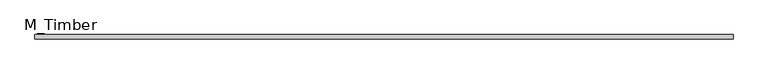
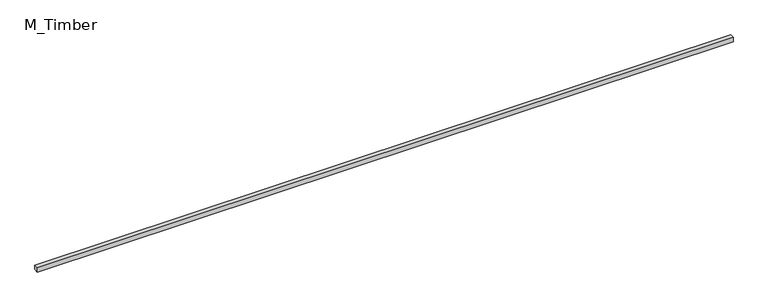
"""IFC4 building model written with IfcOpenShell, lengths in millimetres: beam geometry, M_Timber."""

import ifcopenshell
import ifcopenshell.guid

model = None  # the IFC model being written
_history = None  # IfcOwnerHistory: only IFC2X3 demands one
_inside = {}  # id of a spatial element -> (the spatial element, [elements in it])
_under = {}  # id of a project, library or spatial element -> (it, [spatial elements below it])
_declared = {}  # id of a project -> (the project, [libraries it declares])
_typed = {}  # id of a type object -> (the type object, [elements of that type])
_made_of = {}  # id of a material, layer set ... -> (it, [elements and type objects made of it])


def new_model(schema):
    """Start an empty IFC model of exactly this schema.

    Asked for "IFC4X3", IfcOpenShell would pick the latest addendum, in which some entities
    have other attributes; the version numbers below select the first issue.
    IFC2X3 requires an IfcOwnerHistory on every rooted entity: one is made here for all.
    """
    global model, _history
    if schema == "IFC4X3":
        model = ifcopenshell.file(schema_version=(4, 3, 0, 0))
    else:
        model = ifcopenshell.file(schema=schema)
    _inside.clear()
    _under.clear()
    _declared.clear()
    _typed.clear()
    _made_of.clear()
    _history = None
    if model.schema == "IFC2X3":
        org = make("IfcOrganization", Name="unknown")
        user = make(
            "IfcPersonAndOrganization",
            ThePerson=make("IfcPerson", FamilyName="unknown"),
            TheOrganization=org,
        )
        app = make(
            "IfcApplication",
            ApplicationDeveloper=org,
            Version="unknown",
            ApplicationFullName="unknown",
            ApplicationIdentifier="unknown",
        )
        _history = make(
            "IfcOwnerHistory",
            OwningUser=user,
            OwningApplication=app,
            ChangeAction="ADDED",
            CreationDate=0,
        )
    return model


def make(cls, **values):
    """One entity of the class cls with the attributes given. An attribute that is None is left unset."""
    return model.create_entity(
        cls, **{name: value for name, value in values.items() if value is not None}
    )


def rooted(cls, **values):
    """An entity with a GlobalId (a new one), such as an element, a storey or a relation."""
    return make(cls, GlobalId=ifcopenshell.guid.new(), OwnerHistory=_history, **values)


def si_unit(unit_type, name, prefix=None):
    """IfcSIUnit, for example si_unit("LENGTHUNIT", "METRE", prefix="MILLI")."""
    return make("IfcSIUnit", UnitType=unit_type, Prefix=prefix, Name=name)


def assignment(units):
    """IfcUnitAssignment: the units of a project."""
    return None if units is None else make("IfcUnitAssignment", Units=units)


def point(xyz):
    """IfcCartesianPoint."""
    return None if xyz is None else make("IfcCartesianPoint", Coordinates=xyz)


def direction(xyz):
    """IfcDirection."""
    return None if xyz is None else make("IfcDirection", DirectionRatios=xyz)


def frame(location, z_axis=None, x_axis=None):
    """IfcAxis2Placement3D, a coordinate frame: its origin and axes. An axis left out is left unset."""
    return make(
        "IfcAxis2Placement3D",
        Location=point(location),
        Axis=direction(z_axis),
        RefDirection=direction(x_axis),
    )


def origin():
    """The frame at (0, 0, 0) with its axes left unset."""
    return frame((0.0, 0.0, 0.0))


def place(relative_to, where):
    """IfcLocalPlacement: puts the frame where relative to a parent placement (None: the world)."""
    return make(
        "IfcLocalPlacement", PlacementRelTo=relative_to, RelativePlacement=where
    )


def context(
    kind, dimensions, precision=None, world=None, true_north=None, identifier=None
):
    """IfcGeometricRepresentationContext, for example the 3D "Model" context."""
    return make(
        "IfcGeometricRepresentationContext",
        ContextIdentifier=identifier,
        ContextType=kind,
        CoordinateSpaceDimension=dimensions,
        Precision=precision,
        WorldCoordinateSystem=world,
        TrueNorth=true_north,
    )


def project(units=None, contexts=None):
    """IfcProject with its units and contexts."""
    return rooted(
        "IfcProject",
        Name="project",
        RepresentationContexts=contexts,
        UnitsInContext=assignment(units),
    )


def spatial(cls, under=None, at=None, **own):
    """A site, building, storey or space (cls), placed at a placement, below another one or the project."""
    s = rooted(cls, ObjectPlacement=at, **own)
    if under is not None:
        _under.setdefault(under.id(), (under, []))[1].append(s)
    return s


def polyline(points):
    """IfcPolyline through the points."""
    return make("IfcPolyline", Points=[point(p) for p in points])


def outline(outer, holes=None, kind="AREA"):
    """IfcArbitraryClosedProfileDef: a profile drawn as a closed curve; with holes, ...WithVoids."""
    if holes is None:
        return make("IfcArbitraryClosedProfileDef", ProfileType=kind, OuterCurve=outer)
    return make(
        "IfcArbitraryProfileDefWithVoids",
        ProfileType=kind,
        OuterCurve=outer,
        InnerCurves=holes,
    )


def extrude(swept, where, along, depth):
    """IfcExtrudedAreaSolid: the profile swept, set in the frame where, extruded along a direction by depth."""
    return make(
        "IfcExtrudedAreaSolid",
        SweptArea=swept,
        Position=where,
        ExtrudedDirection=direction(along),
        Depth=depth,
    )


def shape(context_of_items, identifier, shape_type, items):
    """IfcShapeRepresentation: the items that make up one representation, for example the "Body"."""
    return make(
        "IfcShapeRepresentation",
        ContextOfItems=context_of_items,
        RepresentationIdentifier=identifier,
        RepresentationType=shape_type,
        Items=items,
    )


def source(mapping_origin, context_of_items, identifier, shape_type, items):
    """IfcRepresentationMap: a shape defined once, which mapped items show again and again."""
    return make(
        "IfcRepresentationMap",
        MappingOrigin=mapping_origin,
        MappedRepresentation=shape(context_of_items, identifier, shape_type, items),
    )


def transform(
    local_origin,
    x_axis=None,
    y_axis=None,
    z_axis=None,
    scale=None,
    scale2=None,
    scale3=None,
    uniform=True,
):
    """IfcCartesianTransformationOperator3D, or its non-uniform kind. x_axis, y_axis, z_axis: its Axis1, 2, 3."""
    if uniform:
        return make(
            "IfcCartesianTransformationOperator3D",
            Axis1=direction(x_axis),
            Axis2=direction(y_axis),
            LocalOrigin=point(local_origin),
            Scale=scale,
            Axis3=direction(z_axis),
        )
    return make(
        "IfcCartesianTransformationOperator3DnonUniform",
        Axis1=direction(x_axis),
        Axis2=direction(y_axis),
        LocalOrigin=point(local_origin),
        Scale=scale,
        Axis3=direction(z_axis),
        Scale2=scale2,
        Scale3=scale3,
    )


def mapped(mapping_source, mapping_target):
    """IfcMappedItem: shows the shape of a source again, moved by a transform."""
    return make(
        "IfcMappedItem", MappingSource=mapping_source, MappingTarget=mapping_target
    )


def made_of(thing, what):
    """Note that an element or type object is made of a material, layer set ...; save() writes the relation."""
    if what is not None:
        _made_of.setdefault(what.id(), (what, []))[1].append(thing)
    return thing


def element(
    cls,
    number,
    at=None,
    inside=None,
    cuts=None,
    type_object=None,
    material=None,
    context=None,
    identifier="Body",
    shape_type=None,
    held_by="IfcProductDefinitionShape",
    body=None,
    shapes=None,
    **own,
):
    """One element of the class cls, such as IfcWall. Its Tag is "e" and its number.

    at: its placement. inside: the storey or other place that contains it. cuts: it is an
    opening in that element (IfcRelVoidsElement). A single representation is given by context,
    identifier, shape_type and body (its items); several are given by shapes. held_by: the class
    of the entity that holds the representations. save() writes the other relations.
    """
    e = rooted(cls, Tag="e%d" % number, ObjectPlacement=at, **own)
    if body is not None:
        shapes = [shape(context, identifier, shape_type, body)]
    if shapes is not None:
        e.Representation = make(held_by, Representations=shapes)
    if inside is not None:
        _inside.setdefault(inside.id(), (inside, []))[1].append(e)
    if cuts is not None:
        rooted(
            "IfcRelVoidsElement", RelatingBuildingElement=cuts, RelatedOpeningElement=e
        )
    if type_object is not None:
        _typed.setdefault(type_object.id(), (type_object, []))[1].append(e)
    return made_of(e, material)


def aggregate(whole, parts):
    """IfcRelAggregates: a whole, such as a stair, and the parts it consists of."""
    return rooted("IfcRelAggregates", RelatingObject=whole, RelatedObjects=parts)


def save(model, path):
    """Write the relations noted so far, then the file.

    IfcRelAggregates (storeys below a building ...), IfcRelContainedInSpatialStructure (elements
    in a storey), IfcRelDefinesByType, IfcRelAssociatesMaterial and IfcRelDeclares: one each for
    every whole, place, type object, material and project.
    """
    for whole, parts in _under.values():
        aggregate(whole, parts)
    for where, things in _inside.values():
        rooted(
            "IfcRelContainedInSpatialStructure",
            RelatedElements=things,
            RelatingStructure=where,
        )
    for kind, things in _typed.values():
        rooted("IfcRelDefinesByType", RelatedObjects=things, RelatingType=kind)
    for what, things in _made_of.values():
        rooted("IfcRelAssociatesMaterial", RelatedObjects=things, RelatingMaterial=what)
    for by, libraries in _declared.values():
        rooted("IfcRelDeclares", RelatingContext=by, RelatedDefinitions=libraries)
    model.write(path)


def m_timber_7beb71f7(model_context):
    return source(origin(), model_context, "Body", "SweptSolid", [
        extrude(outline(polyline([(3120.0, 20.0), (3120.0, -20.0), (-3120.0, -20.0), (-3120.0, 20.0), (3120.0, 20.0)])), frame((0.0, 0.0, -20.0), z_axis=(0.0, 0.0, 1.0), x_axis=(1.0, 0.0, 0.0)), (0.0, 0.0, 1.0), 40.0),
    ])


if __name__ == "__main__":
    model = new_model("IFC4")
    model_context = context("Model", 3, world=origin())
    ifc_project = project(units=[si_unit("LENGTHUNIT", "METRE", prefix="MILLI")], contexts=[model_context])
    site = spatial("IfcSite", under=ifc_project)
    building = spatial("IfcBuilding", under=site)
    placement = place(None, origin())
    m_timber_shape = m_timber_7beb71f7(model_context)
    element("IfcBeam", 1, ObjectType="M_Timber", at=placement, inside=building, context=model_context, shape_type="MappedRepresentation", body=[
        mapped(m_timber_shape, transform((0.0, 0.0, 0.0), x_axis=(1.0, 0.0, 0.0), y_axis=(0.0, 1.0, 0.0), z_axis=(0.0, 0.0, 1.0))),
    ])
    save(model, "model.ifc")
